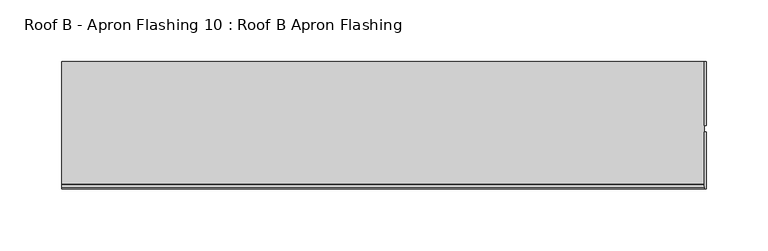
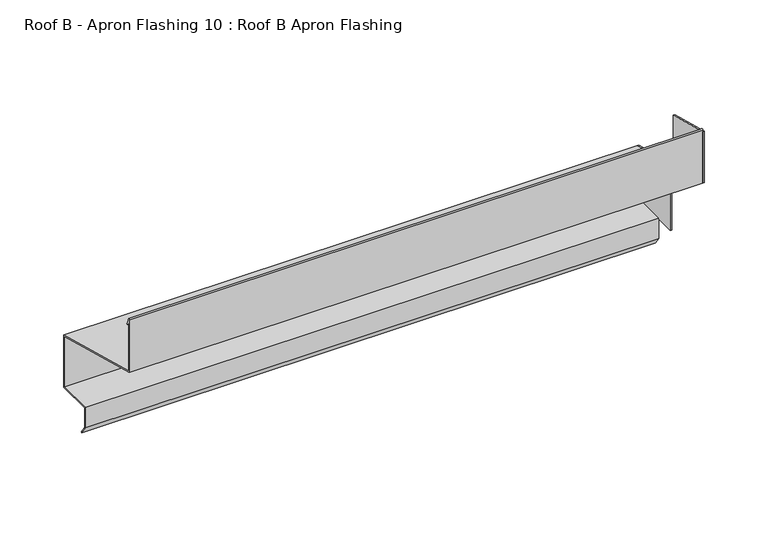
"""IFC4 building model written with IfcOpenShell, lengths in millimetres: proxy geometry, Roof B - Apron Flashing 10 : Roof B Apron Flashing."""

from ifc_helpers import new_model, si_unit, point, frame, frame_2d, origin, place, context, project, spatial, polyline, circle_curve, trimmed, segment, composite_curve, outline, extrude, source, transform, mapped, element, save


def roof_b_apron_flashing_10_roof_b_apron_flashing_b374a213(model_context):
    return source(origin(), model_context, "Body", "SweptSolid", [
        extrude(outline(polyline([(660.2773132, -392.0096237), (608.5660081, -392.0096237), (608.5660081, -328.1536213), (660.2773132, -342.0096237), (660.2773132, -392.0096237)])), frame((9686.0219031, 0.0, 0.0), z_axis=(1.0, 0.0, 0.0), x_axis=(0.0, 1.0, 0.0)), (0.0, 0.0, 1.0), 1.3240587),
        extrude(outline(polyline([(603.6067456, -278.5921179), (603.6067456, -327.8600671), (557.4043312, -315.4801674), (557.4043312, -266.2122183), (603.6067456, -278.5921179)])), frame((9686.0219031, 0.0, 0.0), z_axis=(1.0, 0.0, 0.0), x_axis=(0.0, 1.0, 0.0)), (0.0, 0.0, 1.0), 1.3240587),
        extrude(outline(composite_curve([segment(polyline([(660.2773132, -342.0096237), (660.2773132, -392.0096237), (627.6739483, -392.0096237), (627.6739483, -410.3959053), (632.884848, -417.8378413), (632.065696, -418.4114178), (626.6739483, -410.7112041), (626.6739483, -391.0096237), (659.2773132, -391.0096237), (659.2773132, -342.7769507), (557.4043312, -315.4801674), (557.4043312, -264.8977528)]), True, "CONTINUOUS"), segment(trimmed(circle_curve(frame_2d((558.0833754, -264.8977528)), 0.6790442), [point((557.4043312, -264.8977528))], [point((558.7129742, -264.6433784))], False, "CARTESIAN"), True, "CONTINUOUS"), segment(polyline([(558.7129742, -264.6433784), (561.1274291, -270.6193639)]), True, "CONTINUOUS"), segment(trimmed(circle_curve(frame_2d((560.6638371, -270.8066672)), 0.5), [point((561.1274291, -270.6193639))], [point((560.2002452, -270.9939705))], False, "CARTESIAN"), True, "CONTINUOUS"), segment(polyline([(560.2002452, -270.9939705), (558.4043312, -266.5489273), (558.4043312, -314.7128405), (660.2773132, -342.0096237)]), True, "CONTINUOUS")], self_intersect=False)), frame((9166.9913177, 0.0, 0.0), z_axis=(1.0, 0.0, 0.0), x_axis=(0.0, 1.0, 0.0)), (0.0, 0.0, 1.0), 519.0305854),
    ])


if __name__ == "__main__":
    model = new_model("IFC4")
    model_context = context("Model", 3, world=origin())
    ifc_project = project(units=[si_unit("LENGTHUNIT", "METRE", prefix="MILLI")], contexts=[model_context])
    site = spatial("IfcSite", under=ifc_project)
    building = spatial("IfcBuilding", under=site)
    placement = place(None, origin())
    roof_b_apron_flashing_10_roof_b_apron_flashing_shape = roof_b_apron_flashing_10_roof_b_apron_flashing_b374a213(model_context)
    element("IfcBuildingElementProxy", 1, Name="Roof B - Apron Flashing 10 : Roof B Apron Flashing", ObjectType="Roof B - Apron Flashing 10 : Roof B Apron Flashing", at=placement, inside=building, context=model_context, shape_type="MappedRepresentation", body=[
        mapped(roof_b_apron_flashing_10_roof_b_apron_flashing_shape, transform((0.0, 0.0, 0.0), x_axis=(1.0, 0.0, 0.0), y_axis=(0.0, 1.0, 0.0), z_axis=(0.0, 0.0, 1.0))),
    ])
    save(model, "model.ifc")
